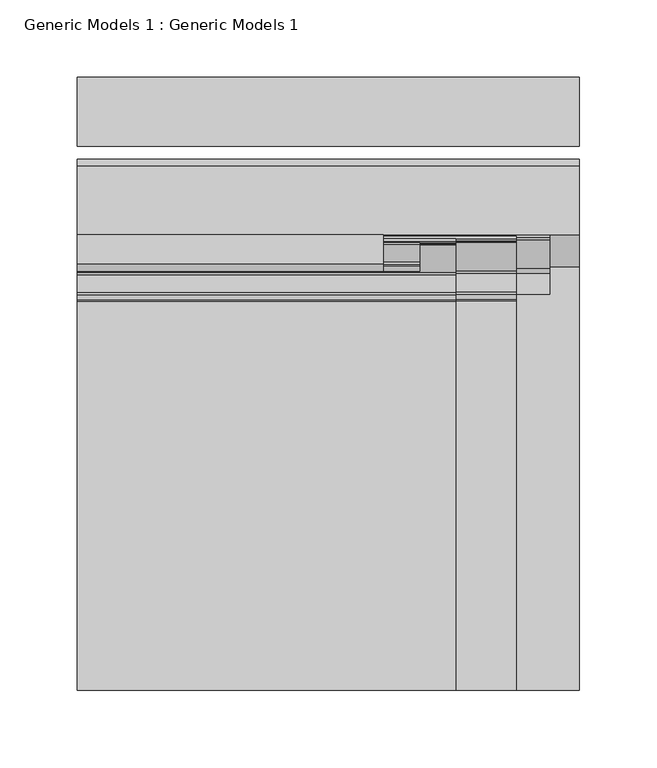
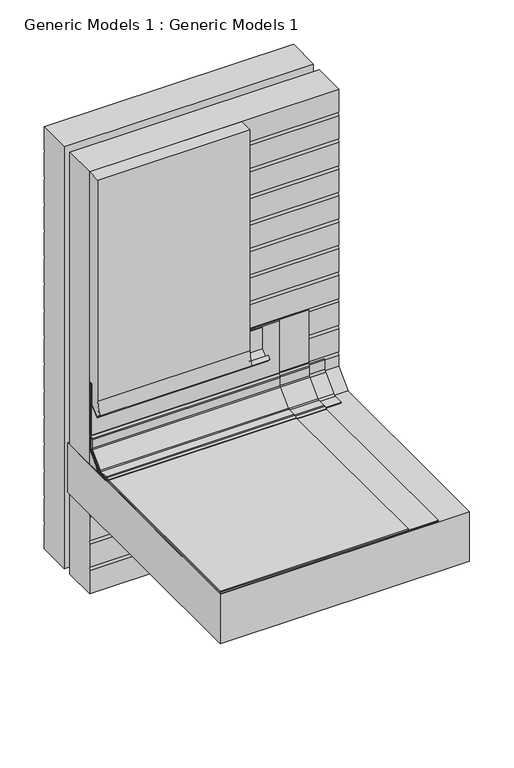
"""IFC4 building model written with IfcOpenShell, lengths in millimetres: proxy geometry, Generic Models 1 : Generic Models 1."""

from ifc_helpers import new_model, si_unit, point, frame, frame_2d, origin, place, context, project, spatial, polyline, circle_curve, trimmed, segment, composite_curve, outline, extrude, source, transform, mapped, element, save


def generic_models_1_generic_models_1_10a33f50(model_context):
    return source(origin(), model_context, "Body", "SweptSolid", [
        extrude(outline(composite_curve([segment(polyline([(387.8793268, 302.4514209), (387.8793268, 273.4377567), (376.5006744, 263.8899337), (371.4807998, 268.9098084), (374.5166931, 271.9457017), (373.9554271, 272.5069677), (370.3582677, 268.9098084)]), True, "CONTINUOUS"), segment(trimmed(circle_curve(frame_2d((341.6751177, 286.2247998)), 33.5042091), [point((370.3582677, 268.9098084))], [point((375.1793268, 286.2247998))], True, "CARTESIAN"), True, "CONTINUOUS"), segment(polyline([(375.1793268, 286.2247998), (375.1793268, 589.8460951), (393.8469389, 589.8460951), (393.8469389, 302.4514209), (387.8793268, 302.4514209)]), True, "CONTINUOUS")], self_intersect=False)), frame((63.5, 0.0, 0.0), z_axis=(1.0, 0.0, 0.0), x_axis=(0.0, 1.0, 0.0)), (0.0, 0.0, 1.0), 197.4450005),
        extrude(outline(polyline([(388.6730768, 273.067625), (376.453714, 262.8143621), (370.3582677, 268.9098084), (373.9554271, 272.5069677), (374.5166931, 271.9457017), (371.4807998, 268.9098084), (376.5006744, 263.8899337), (387.8793268, 273.4377567), (387.8793268, 302.4514209), (388.6730768, 302.4514209), (388.6730768, 273.067625)])), frame((63.5, 0.0, 0.0), z_axis=(1.0, 0.0, 0.0), x_axis=(0.0, 1.0, 0.0)), (0.0, 0.0, 1.0), 220.8070077),
        extrude(outline(composite_curve([segment(polyline([(351.235136, 190.5), (99.8539621, 190.5), (99.8539621, 192.0875), (351.235136, 192.0875)]), True, "CONTINUOUS"), segment(trimmed(circle_curve(frame_2d((351.235136, 194.46875)), 2.38125), [point((351.235136, 192.0875))], [point((352.0495715, 192.2311069))], True, "CARTESIAN"), True, "CONTINUOUS"), segment(polyline([(352.0495715, 192.2311069), (355.2275214, 193.3877861)]), True, "CONTINUOUS"), segment(trimmed(circle_curve(frame_2d((356.8563923, 188.9125)), 4.7625), [point((355.2275214, 193.3877861))], [point((356.8563923, 193.675))], False, "CARTESIAN"), True, "CONTINUOUS"), segment(polyline([(356.8563923, 193.675), (368.1979328, 193.675)]), True, "CONTINUOUS"), segment(trimmed(circle_curve(frame_2d((368.1979328, 196.05625)), 2.38125), [point((368.1979328, 193.675))], [point((369.8817309, 194.372452))], True, "CARTESIAN"), True, "CONTINUOUS"), segment(polyline([(369.8817309, 194.372452), (387.593237, 212.0839581)]), True, "CONTINUOUS"), segment(trimmed(circle_curve(frame_2d((385.9094389, 213.7677561)), 2.38125), [point((387.593237, 212.0839581))], [point((388.2906889, 213.7677561))], True, "CARTESIAN"), True, "CONTINUOUS"), segment(polyline([(388.2906889, 213.7677561), (388.2906889, 225.1092966)]), True, "CONTINUOUS"), segment(trimmed(circle_curve(frame_2d((393.0531889, 225.1092966)), 4.7625), [point((388.2906889, 225.1092966))], [point((388.5779028, 226.7381676))], False, "CARTESIAN"), True, "CONTINUOUS"), segment(polyline([(388.5779028, 226.7381676), (389.734582, 229.9161174)]), True, "CONTINUOUS"), segment(trimmed(circle_curve(frame_2d((387.4969389, 230.7305529)), 2.38125), [point((389.734582, 229.9161174))], [point((389.8781889, 230.7305529))], True, "CARTESIAN"), True, "CONTINUOUS"), segment(polyline([(389.8781889, 230.7305529), (389.8781889, 302.4514209), (391.4656889, 302.4514209), (391.4656889, 230.7305529)]), True, "CONTINUOUS"), segment(trimmed(circle_curve(frame_2d((387.4969389, 230.7305529)), 3.96875), [point((391.4656889, 230.7305529))], [point((391.226344, 229.3731605))], False, "CARTESIAN"), True, "CONTINUOUS"), segment(polyline([(391.226344, 229.3731605), (390.0696649, 226.1952106)]), True, "CONTINUOUS"), segment(trimmed(circle_curve(frame_2d((393.0531889, 225.1092966)), 3.175), [point((390.0696649, 226.1952106))], [point((389.8781889, 225.1092966))], True, "CARTESIAN"), True, "CONTINUOUS"), segment(polyline([(389.8781889, 225.1092966), (389.8781889, 213.7677561)]), True, "CONTINUOUS"), segment(trimmed(circle_curve(frame_2d((385.9094389, 213.7677561)), 3.96875), [point((389.8781889, 213.7677561))], [point((388.715769, 210.9614261))], False, "CARTESIAN"), True, "CONTINUOUS"), segment(polyline([(388.715769, 210.9614261), (371.0042629, 193.24992)]), True, "CONTINUOUS"), segment(trimmed(circle_curve(frame_2d((368.1979328, 196.05625)), 3.96875), [point((371.0042629, 193.24992))], [point((368.1979328, 192.0875))], False, "CARTESIAN"), True, "CONTINUOUS"), segment(polyline([(368.1979328, 192.0875), (356.8563923, 192.0875)]), True, "CONTINUOUS"), segment(trimmed(circle_curve(frame_2d((356.8563923, 188.9125)), 3.175), [point((356.8563923, 192.0875))], [point((355.7704784, 191.8960241))], True, "CARTESIAN"), True, "CONTINUOUS"), segment(polyline([(355.7704784, 191.8960241), (352.5925285, 190.7393449)]), True, "CONTINUOUS"), segment(trimmed(circle_curve(frame_2d((351.235136, 194.46875)), 3.96875), [point((352.5925285, 190.7393449))], [point((351.235136, 190.5))], False, "CARTESIAN"), True, "CONTINUOUS")], self_intersect=False)), frame((63.5, 0.0, 0.0), z_axis=(1.0, 0.0, 0.0), x_axis=(0.0, 1.0, 0.0)), (0.0, 0.0, 1.0), 244.1101487),
        extrude(outline(composite_curve([segment(polyline([(351.5150551, 188.9125), (99.8539621, 188.9125), (99.8539621, 190.5), (351.5150551, 190.5)]), True, "CONTINUOUS"), segment(trimmed(circle_curve(frame_2d((351.5150551, 192.88125)), 2.38125), [point((351.5150551, 190.5))], [point((352.3294906, 190.6436069))], True, "CARTESIAN"), True, "CONTINUOUS"), segment(polyline([(352.3294906, 190.6436069), (355.5074405, 191.8002861)]), True, "CONTINUOUS"), segment(trimmed(circle_curve(frame_2d((357.1363114, 187.325)), 4.7625), [point((355.5074405, 191.8002861))], [point((357.1363114, 192.0875))], False, "CARTESIAN"), True, "CONTINUOUS"), segment(polyline([(357.1363114, 192.0875), (368.9916828, 192.0875)]), True, "CONTINUOUS"), segment(trimmed(circle_curve(frame_2d((368.9916828, 194.46875)), 2.38125), [point((368.9916828, 192.0875))], [point((370.6754809, 192.784952))], True, "CARTESIAN"), True, "CONTINUOUS"), segment(polyline([(370.6754809, 192.784952), (389.180737, 211.2902081)]), True, "CONTINUOUS"), segment(trimmed(circle_curve(frame_2d((387.4969389, 212.9740061)), 2.38125), [point((389.180737, 211.2902081))], [point((389.8781889, 212.9740061))], True, "CARTESIAN"), True, "CONTINUOUS"), segment(polyline([(389.8781889, 212.9740061), (389.8781889, 224.8293776)]), True, "CONTINUOUS"), segment(trimmed(circle_curve(frame_2d((394.6406889, 224.8293776)), 4.7625), [point((389.8781889, 224.8293776))], [point((390.1654028, 226.4582485))], False, "CARTESIAN"), True, "CONTINUOUS"), segment(polyline([(390.1654028, 226.4582485), (391.322082, 229.6361984)]), True, "CONTINUOUS"), segment(trimmed(circle_curve(frame_2d((389.0844389, 230.4506338)), 2.38125), [point((391.322082, 229.6361984))], [point((391.4656889, 230.4506338))], True, "CARTESIAN"), True, "CONTINUOUS"), segment(polyline([(391.4656889, 230.4506338), (391.4656889, 302.4514209), (393.0531889, 302.4514209), (393.0531889, 230.4506338)]), True, "CONTINUOUS"), segment(trimmed(circle_curve(frame_2d((389.0844389, 230.4506338)), 3.96875), [point((393.0531889, 230.4506338))], [point((392.813844, 229.0932414))], False, "CARTESIAN"), True, "CONTINUOUS"), segment(polyline([(392.813844, 229.0932414), (391.6571649, 225.9152915)]), True, "CONTINUOUS"), segment(trimmed(circle_curve(frame_2d((394.6406889, 224.8293776)), 3.175), [point((391.6571649, 225.9152915))], [point((391.4656889, 224.8293776))], True, "CARTESIAN"), True, "CONTINUOUS"), segment(polyline([(391.4656889, 224.8293776), (391.4656889, 212.9740061)]), True, "CONTINUOUS"), segment(trimmed(circle_curve(frame_2d((387.4969389, 212.9740061)), 3.96875), [point((391.4656889, 212.9740061))], [point((390.303269, 210.1676761))], False, "CARTESIAN"), True, "CONTINUOUS"), segment(polyline([(390.303269, 210.1676761), (371.7980129, 191.66242)]), True, "CONTINUOUS"), segment(trimmed(circle_curve(frame_2d((368.9916828, 194.46875)), 3.96875), [point((371.7980129, 191.66242))], [point((368.9916828, 190.5))], False, "CARTESIAN"), True, "CONTINUOUS"), segment(polyline([(368.9916828, 190.5), (357.1363114, 190.5)]), True, "CONTINUOUS"), segment(trimmed(circle_curve(frame_2d((357.1363114, 187.325)), 3.175), [point((357.1363114, 190.5))], [point((356.0503974, 190.3085241))], True, "CARTESIAN"), True, "CONTINUOUS"), segment(polyline([(356.0503974, 190.3085241), (352.8724476, 189.1518449)]), True, "CONTINUOUS"), segment(trimmed(circle_curve(frame_2d((351.5150551, 192.88125)), 3.96875), [point((352.8724476, 189.1518449))], [point((351.5150551, 188.9125))], False, "CARTESIAN"), True, "CONTINUOUS")], self_intersect=False)), frame((63.5, 0.0, 0.0), z_axis=(1.0, 0.0, 0.0), x_axis=(0.0, 1.0, 0.0)), (0.0, 0.0, 1.0), 283.2092457),
        extrude(outline(polyline([(387.35, 442.7539621), (387.35, 99.8539621), (63.5, 99.8539621), (63.5, 442.7539621), (387.35, 442.7539621)])), frame((0.0, 0.0, 119.8480823), z_axis=(0.0, 0.0, 1.0), x_axis=(1.0, 0.0, 0.0)), (0.0, 0.0, 1.0), 68.2706677),
        extrude(outline(composite_curve([segment(trimmed(circle_curve(frame_2d((387.4969389, 212.9740061)), 6.35), [point((393.8469389, 212.9740061))], [point((391.987067, 208.4838781))], False, "CARTESIAN"), True, "CONTINUOUS"), segment(polyline([(391.987067, 208.4838781), (373.4818109, 189.9786219)]), True, "CONTINUOUS"), segment(trimmed(circle_curve(frame_2d((368.9916828, 194.46875)), 6.35), [point((373.4818109, 189.9786219))], [point((368.9916828, 188.11875))], False, "CARTESIAN"), True, "CONTINUOUS"), segment(polyline([(368.9916828, 188.11875), (355.7469389, 188.11875), (355.7469389, 189.70625), (368.9916828, 189.70625)]), True, "CONTINUOUS"), segment(trimmed(circle_curve(frame_2d((368.9916828, 194.46875)), 4.7625), [point((368.9916828, 189.70625))], [point((372.3592789, 191.101154))], True, "CARTESIAN"), True, "CONTINUOUS"), segment(polyline([(372.3592789, 191.101154), (390.864535, 209.6064101)]), True, "CONTINUOUS"), segment(trimmed(circle_curve(frame_2d((387.4969389, 212.9740061)), 4.7625), [point((390.864535, 209.6064101))], [point((392.2594389, 212.9740061))], True, "CARTESIAN"), True, "CONTINUOUS"), segment(polyline([(392.2594389, 212.9740061), (392.2594389, 226.21875), (393.8469389, 226.21875), (393.8469389, 212.9740061)]), True, "CONTINUOUS")], self_intersect=False)), frame((63.5, 0.0, 0.0), z_axis=(1.0, 0.0, 0.0), x_axis=(0.0, 1.0, 0.0)), (0.0, 0.0, 1.0), 304.8),
        extrude(outline(polyline([(393.8469389, 209.2776281), (393.8469389, 188.11875), (372.6880609, 188.11875), (393.8469389, 209.2776281)])), frame((63.5, 0.0, 0.0), z_axis=(1.0, 0.0, 0.0), x_axis=(0.0, 1.0, 0.0)), (0.0, 0.0, 1.0), 323.85),
        extrude(outline(polyline([(450.9969389, 10.2860791), (450.9969389, 589.8460951), (495.4469389, 589.8460951), (495.4469389, 558.0960951), (494.6057415, 558.0960951), (495.4469389, 553.3254273), (495.4469389, 521.5754273), (494.6057415, 521.5754273), (495.4469389, 516.8047596), (495.4469389, 485.0547596), (494.6057415, 485.0547596), (495.4469389, 480.2840919), (495.4469389, 448.5340919), (494.6057415, 448.5340919), (495.4469389, 443.7634241), (495.4469389, 412.0134241), (494.6057415, 412.0134241), (495.4469389, 407.2427564), (495.4469389, 375.4927564), (494.6057415, 375.4927564), (495.4469389, 370.7220887), (495.4469389, 338.9720887), (494.6057415, 338.9720887), (495.4469389, 334.2014209), (495.4469389, 302.4514209), (494.6057415, 302.4514209), (495.4469389, 297.6807532), (495.4469389, 265.9307532), (494.6057415, 265.9307532), (495.4469389, 261.1600855), (495.4469389, 229.4100855), (494.6057415, 229.4100855), (495.4469389, 224.6394177), (495.4469389, 192.8894177), (494.6057415, 192.8894177), (495.4469389, 188.11875), (495.4469389, 156.36875), (494.6057415, 156.36875), (495.4469389, 151.5980823), (495.4469389, 119.8480823), (494.6057415, 119.8480823), (495.4469389, 115.0774145), (495.4469389, 83.3274145), (494.6057415, 83.3274145), (495.4469389, 78.5567468), (495.4469389, 46.8067468), (494.6057415, 46.8067468), (495.4469389, 42.0360791), (495.4469389, 10.2860791), (450.9969389, 10.2860791)])), frame((63.5, 0.0, 0.0), z_axis=(1.0, 0.0, 0.0), x_axis=(0.0, 1.0, 0.0)), (0.0, 0.0, 1.0), 323.85),
        extrude(outline(polyline([(393.8469389, 42.0360791), (394.6881364, 46.8067468), (393.8469389, 46.8067468), (393.8469389, 78.5567468), (394.6881364, 83.3274145), (393.8469389, 83.3274145), (393.8469389, 115.0774145), (394.6881364, 119.8480823), (438.2969389, 119.8480823), (438.2969389, 10.2860791), (393.8469389, 10.2860791), (393.8469389, 42.0360791)])), frame((63.5, 0.0, 0.0), z_axis=(1.0, 0.0, 0.0), x_axis=(0.0, 1.0, 0.0)), (0.0, 0.0, 1.0), 323.85),
        extrude(outline(polyline([(393.8469389, 192.8894177), (393.8469389, 224.6394177), (394.6881364, 229.4100855), (393.8469389, 229.4100855), (393.8469389, 261.1600855), (394.6881364, 265.9307532), (393.8469389, 265.9307532), (393.8469389, 297.6807532), (394.6881364, 302.4514209), (393.8469389, 302.4514209), (393.8469389, 334.2014209), (394.6881364, 338.9720887), (393.8469389, 338.9720887), (393.8469389, 370.7220887), (394.6881364, 375.4927564), (393.8469389, 375.4927564), (393.8469389, 407.2427564), (394.6881364, 412.0134241), (393.8469389, 412.0134241), (393.8469389, 443.7634241), (394.6881364, 448.5340919), (393.8469389, 448.5340919), (393.8469389, 480.2840919), (394.6881364, 485.0547596), (393.8469389, 485.0547596), (393.8469389, 516.8047596), (394.6881364, 521.5754273), (393.8469389, 521.5754273), (393.8469389, 553.3254273), (394.6881364, 558.0960951), (393.8469389, 558.0960951), (393.8469389, 589.8460951), (438.2969389, 589.8460951), (438.2969389, 188.11875), (393.8469389, 188.11875), (394.6881364, 192.8894177), (393.8469389, 192.8894177)])), frame((63.5, 0.0, 0.0), z_axis=(1.0, 0.0, 0.0), x_axis=(0.0, 1.0, 0.0)), (0.0, 0.0, 1.0), 323.85),
    ])


if __name__ == "__main__":
    model = new_model("IFC4")
    model_context = context("Model", 3, world=origin())
    ifc_project = project(units=[si_unit("LENGTHUNIT", "METRE", prefix="MILLI")], contexts=[model_context])
    site = spatial("IfcSite", under=ifc_project)
    building = spatial("IfcBuilding", under=site)
    placement = place(None, origin())
    generic_models_1_generic_models_1_shape = generic_models_1_generic_models_1_10a33f50(model_context)
    element("IfcBuildingElementProxy", 1, Name="Generic Models 1 : Generic Models 1", ObjectType="Generic Models 1 : Generic Models 1", at=placement, inside=building, context=model_context, shape_type="MappedRepresentation", body=[
        mapped(generic_models_1_generic_models_1_shape, transform((0.0, 0.0, 0.0), x_axis=(1.0, 0.0, 0.0), y_axis=(0.0, 1.0, 0.0), z_axis=(0.0, 0.0, 1.0))),
    ])
    save(model, "model.ifc")
